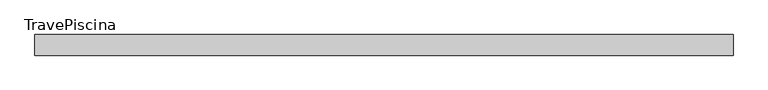
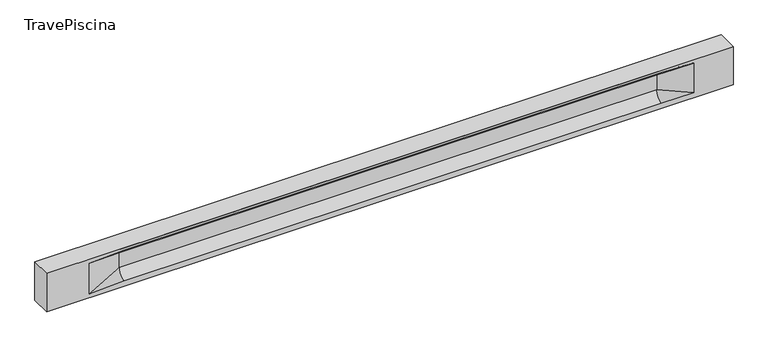
"""IFC4 building model written with IfcOpenShell, lengths in millimetres: beam geometry, TravePiscina."""

from ifc_helpers import new_model, si_unit, frame, origin, place, context, project, spatial, polyline, circle_curve, source, transform, mapped, element, save
from ifc_brep_helpers import plane_surface, revolved_surface, spline_surface, advanced_brep


def travepiscina_89b772d8(model_context):
    return source(origin(), model_context, "Body", "AdvancedBrep", [
        advanced_brep(
        [(8469.5, -250.0, 500.0), (8469.5, -250.0, -500.0), (8469.5, 250.0, -500.0), (8469.5, 250.0, 500.0), (-8469.5, -250.0, 500.0), (-8469.5, -250.0, -500.0), (7494.5, -250.0, -362.0), (6694.5, -250.0, -360.0), (-6569.5, -250.0, -360.0), (-7419.5, -250.0, -400.0), (-7419.5, -250.0, 400.0), (-6569.5, -250.0, 435.0), (6694.5, -250.0, 435.0), (7494.5, -250.0, 400.0), (-8469.5, 250.0, -500.0), (-8469.5, 250.0, 500.0), (7494.5, 250.0, 400.0), (6694.5, 250.0, 435.0), (-6569.5, 250.0, 435.0), (-7419.5, 250.0, 400.0), (-7419.5, 250.0, -400.0), (-6569.5, 250.0, -360.0), (6694.5, 250.0, -360.0), (7494.5, 250.0, -362.0), (6694.5, 155.0, 405.0), (-6569.5, 155.0, 405.0), (-6569.5, -60.0, 262.777021), (6694.5, -60.0, 262.777021), (6694.5, -155.0, 405.0), (-6569.5, -155.0, 405.0), (-6569.5, 60.0, 262.777021), (6694.5, 60.0, 262.777021), (6694.5, 60.0, -120.0), (-6569.5, 60.0, -120.0), (-6569.5, -60.0, -120.0), (6694.5, -60.0, -120.0)],
        [
            (0, 1),
            (1, 2),
            (2, 3),
            (3, 0),
            (0, 4),
            (4, 5),
            (5, 1),
            (6, 7),
            (7, 8),
            (8, 9),
            (9, 10),
            (10, 11),
            (11, 12),
            (12, 13),
            (13, 6),
            (5, 14),
            (14, 2),
            (14, 15),
            (15, 3),
            (16, 17),
            (17, 18),
            (18, 19),
            (19, 20),
            (20, 21),
            (21, 22),
            (22, 23),
            (23, 16),
            (15, 4),
            (17, 24),
            (24, 25),
            (25, 18),
            (26, 27),
            (27, 28, circle_curve(frame((6694.5, -213.9598725, 262.777021), z_axis=(1.0, 0.0, 0.0), x_axis=(0.0, 1.0, 0.0)), 153.9598725)),
            (28, 29),
            (29, 26, circle_curve(frame((-6569.5, -213.9598725, 262.777021), z_axis=(-1.0, 0.0, 0.0), x_axis=(0.0, 1.0, 0.0)), 153.9598725)),
            (30, 31),
            (31, 32),
            (32, 33),
            (33, 30),
            (28, 12),
            (11, 29),
            (34, 35),
            (35, 27),
            (26, 34),
            (25, 19),
            (22, 32, circle_curve(frame((6694.5, 306.5789474, -120.0), z_axis=(-1.0, 0.0, 0.0), x_axis=(0.0, 1.0, 0.0)), 246.5789474)),
            (32, 23),
            (10, 29),
            (10, 26),
            (13, 28),
            (27, 13),
            (30, 19),
            (25, 30, circle_curve(frame((-6569.5, 213.9598725, 262.777021), z_axis=(1.0, 0.0, 0.0), x_axis=(0.0, 1.0, 0.0)), 153.9598725)),
            (9, 34),
            (8, 34, circle_curve(frame((-6569.5, -306.5789474, -120.0), z_axis=(1.0, 0.0, 0.0), x_axis=(0.0, 1.0, 0.0)), 246.5789474)),
            (20, 33),
            (33, 21, circle_curve(frame((-6569.5, 306.5789474, -120.0), z_axis=(1.0, 0.0, 0.0), x_axis=(0.0, 1.0, 0.0)), 246.5789474)),
            (35, 6),
            (35, 7, circle_curve(frame((6694.5, -306.5789474, -120.0), z_axis=(-1.0, 0.0, 0.0), x_axis=(0.0, 1.0, 0.0)), 246.5789474)),
            (31, 16),
            (31, 24, circle_curve(frame((6694.5, 213.9598725, 262.777021), z_axis=(-1.0, 0.0, 0.0), x_axis=(0.0, 1.0, 0.0)), 153.9598725)),
            (24, 16),
        ],
        [
            plane_surface(frame((8469.5, 0.0, 0.0), z_axis=(1.0, 0.0, 0.0), x_axis=(0.0, 0.0, 1.0))),
            plane_surface(frame((8469.5, -250.0, 500.0), z_axis=(0.0, -1.0, 0.0), x_axis=(-1.0, 0.0, 0.0))),
            plane_surface(frame((8469.5, -250.0, -500.0), z_axis=(0.0, 0.0, -1.0), x_axis=(-1.0, 0.0, 0.0))),
            plane_surface(frame((8469.5, 250.0, -500.0), z_axis=(0.0, 1.0, 0.0), x_axis=(-1.0, 0.0, 0.0))),
            plane_surface(frame((8469.5, 250.0, 500.0), z_axis=(0.0, 0.0, 1.0), x_axis=(-1.0, 0.0, 0.0))),
            plane_surface(frame((-6569.5, 250.0, 435.0), z_axis=(0.0, 0.30113136793710954, -0.9535826651341378), x_axis=(1.0, 0.0, 0.0))),
            plane_surface(frame((-8469.5, 0.0, 0.0), z_axis=(-1.0, 0.0, 0.0), x_axis=(0.0, 0.0, 1.0))),
            revolved_surface(polyline([(6694.5, -60.0, 262.777021), (-6569.5, -60.0, 262.777021)]), (-6569.5, -213.9598725, 262.777021), (1.0, 0.0, 0.0)),
            plane_surface(frame((-6569.5, 60.0, 262.777021), z_axis=(0.0, 1.0, 0.0), x_axis=(1.0, 0.0, 0.0))),
            plane_surface(frame((-6569.5, -155.0, 405.0), z_axis=(0.0, -0.30113136793710693, -0.9535826651341387), x_axis=(1.0, 0.0, 0.0))),
            plane_surface(frame((-6569.5, -60.0, -120.0), z_axis=(0.0, -1.0, 0.0), x_axis=(1.0, 0.0, 0.0))),
            plane_surface(frame((-7419.5, 250.0, 400.0), z_axis=(0.03923493491469444, 0.30089950084952793, -0.9528484193567961), x_axis=(0.0, 0.9535826651341378, 0.30113136793710954))),
            spline_surface(2, 1, [[(6694.5, 250.0, -360.0), (7494.5, 250.0, -362.0)], [(6694.5, 60.00000002887427, -315.20833329480604), (7494.5, 250.0, -362.0)], [(6694.5, 60.0, -120.0), (7494.5, 250.0, -362.0)]], [3, 3], [2, 2], [0.0, 1.0], [0.0, 1.0], weights=[[1.0, 1.0], [0.7840458245391329, 0.7840458245391329], [1.0, 1.0]]),
            plane_surface(frame((-7419.5, -250.0, 400.0), z_axis=(0.03923493491469448, -0.3008995008495253, -0.952848419356797), x_axis=(0.0, 0.9535826651341387, -0.30113136793710693))),
            spline_surface(2, 1, [[(-7419.5, -250.0, 400.0), (-6569.5, -155.0, 405.0)], [(-7419.5, -250.0, 400.0), (-6569.5, -60.00000008030692, 365.6168572114734)], [(-7419.5, -250.0, 400.0), (-6569.5, -60.0, 262.777021)]], [3, 3], [2, 2], [0.0, 1.0], [0.0, 1.0], weights=[[1.0, 1.0], [0.8315515924557569, 0.8315515924557569], [1.0, 1.0]]),
            spline_surface(2, 1, [[(6694.5, -155.0, 405.0), (7494.5, -250.0, 400.0)], [(6694.5, -60.00000008030692, 365.6168572114734), (7494.5, -250.0, 400.0)], [(6694.5, -60.0, 262.777021), (7494.5, -250.0, 400.0)]], [3, 3], [2, 2], [0.0, 1.0], [0.0, 1.0], weights=[[1.0, 1.0], [0.8315515924557569, 0.8315515924557569], [1.0, 1.0]]),
            plane_surface(frame((6694.5, -202.5, 420.0), z_axis=(-0.04168298285568757, -0.30086965068766125, -0.9527538938442274), x_axis=(0.0, 0.9535826651341387, -0.30113136793710693))),
            spline_surface(2, 1, [[(-7419.5, 250.0, 400.0), (-6569.5, 60.0, 262.777021)], [(-7419.5, 250.0, 400.0), (-6569.5, 59.99999995452379, 365.6168572954922)], [(-7419.5, 250.0, 400.0), (-6569.5, 155.0, 405.0)]], [3, 3], [2, 2], [0.0, 1.0], [0.0, 1.0], weights=[[1.0, 1.0], [0.8315515921160737, 0.8315515921160737], [1.0, 1.0]]),
            plane_surface(frame((-7419.5, -250.0, 0.0), z_axis=(0.21814596370705283, -0.975916153426267, 0.0), x_axis=(0.0, 0.0, -1.0))),
            spline_surface(2, 1, [[(-7419.5, -250.0, -400.0), (-6569.5, -60.0, -120.0)], [(-7419.5, -250.0, -400.0), (-6569.5, -59.99999998020837, -315.20833333333337)], [(-7419.5, -250.0, -400.0), (-6569.5, -250.0, -360.0)]], [3, 3], [2, 2], [0.0, 1.0], [0.0, 1.0], weights=[[1.0, 1.0], [0.7840458244617614, 0.7840458244617614], [1.0, 1.0]]),
            spline_surface(2, 1, [[(-7419.5, 250.0, -400.0), (-6569.5, 250.0, -360.0)], [(-7419.5, 250.0, -400.0), (-6569.5, 60.00000002887427, -315.20833329480604)], [(-7419.5, 250.0, -400.0), (-6569.5, 60.0, -120.0)]], [3, 3], [2, 2], [0.0, 1.0], [0.0, 1.0], weights=[[1.0, 1.0], [0.7840458245391329, 0.7840458245391329], [1.0, 1.0]]),
            plane_surface(frame((-7419.5, 250.0, 0.0), z_axis=(0.21814596370704872, 0.975916153426268, 0.0), x_axis=(0.0, 0.0, 1.0))),
            plane_surface(frame((6694.5, -60.0, 71.3885105), z_axis=(-0.23107243079589793, -0.9729365507195601, 0.0), x_axis=(0.0, 0.0, -1.0))),
            spline_surface(2, 1, [[(6694.5, -60.0, -120.0), (7494.5, -250.0, -362.0)], [(6694.5, -59.99999998020837, -315.20833333333337), (7494.5, -250.0, -362.0)], [(6694.5, -250.0, -360.0), (7494.5, -250.0, -362.0)]], [3, 3], [2, 2], [0.0, 1.0], [0.0, 1.0], weights=[[1.0, 1.0], [0.7840458244617614, 0.7840458244617614], [1.0, 1.0]]),
            plane_surface(frame((6694.5, 60.0, 71.3885105), z_axis=(-0.2310724307958915, 0.9729365507195615, 0.0), x_axis=(0.0, 0.0, 1.0))),
            spline_surface(2, 1, [[(6694.5, 60.0, 262.777021), (7494.5, 250.0, 400.0)], [(6694.5, 59.99999995452379, 365.6168572954922), (7494.5, 250.0, 400.0)], [(6694.5, 155.0, 405.0), (7494.5, 250.0, 400.0)]], [3, 3], [2, 2], [0.0, 1.0], [0.0, 1.0], weights=[[1.0, 1.0], [0.8315515921160737, 0.8315515921160737], [1.0, 1.0]]),
            plane_surface(frame((6694.5, 202.5, 420.0), z_axis=(-0.041682982855686834, 0.30086965068766386, -0.9527538938442265), x_axis=(0.0, 0.9535826651341378, 0.30113136793710954))),
            revolved_surface(polyline([(6694.5, 367.919745, 262.777021), (-6569.5, 367.919745, 262.777021)]), (-6569.5, 213.9598725, 262.777021), (1.0, 0.0, 0.0)),
            revolved_surface(polyline([(6694.5, 553.1578948, -120.0), (-6569.5, 553.1578948, -120.0)]), (-6569.5, 306.5789474, -120.0), (1.0, 0.0, 0.0)),
            revolved_surface(polyline([(6694.5, -60.0, -120.0), (-6569.5, -60.0, -120.0)]), (-6569.5, -306.5789474, -120.0), (1.0, 0.0, 0.0)),
        ],
        [
            (0, [[1, 2, 3, 4]]),
            (1, [[-1, 5, 6, 7], [8, 9, 10, 11, 12, 13, 14, 15]]),
            (2, [[-2, -7, 16, 17]]),
            (3, [[-3, -17, 18, 19], [20, 21, 22, 23, 24, 25, 26, 27]]),
            (4, [[-5, -4, -19, 28]]),
            (5, [[-21, 29, 30, 31]]),
            (6, [[-28, -18, -16, -6]]),
            (7, [[32, 33, 34, 35]]),
            (8, [[36, 37, 38, 39]]),
            (9, [[-34, 40, -13, 41]]),
            (10, [[42, 43, -32, 44]]),
            (11, [[45, -22, -31]]),
            (12, [[-26, 46, 47]]),
            (13, [[-12, 48, -41]]),
            (14, [[-48, 49, -35]]),
            (15, [[50, -33, 51]]),
            (16, [[-14, -40, -50]]),
            (17, [[52, -45, 53]]),
            (18, [[-49, -11, 54, -44]]),
            (19, [[-54, -10, 55]]),
            (20, [[-24, 56, 57]]),
            (21, [[-52, -39, -56, -23]]),
            (22, [[-51, -43, 58, -15]]),
            (23, [[-58, 59, -8]]),
            (24, [[-47, -37, 60, -27]]),
            (25, [[-60, 61, 62]]),
            (26, [[-62, -29, -20]]),
            (27, [[-30, -61, -36, -53]]),
            (28, [[-38, -46, -25, -57]]),
            (29, [[-9, -59, -42, -55]]),
        ],
    ),
    ])


if __name__ == "__main__":
    model = new_model("IFC4")
    model_context = context("Model", 3, world=origin())
    ifc_project = project(units=[si_unit("LENGTHUNIT", "METRE", prefix="MILLI")], contexts=[model_context])
    site = spatial("IfcSite", under=ifc_project)
    building = spatial("IfcBuilding", under=site)
    placement = place(None, origin())
    travepiscina_shape = travepiscina_89b772d8(model_context)
    element("IfcBeam", 1, ObjectType="TravePiscina", at=placement, inside=building, context=model_context, shape_type="MappedRepresentation", body=[
        mapped(travepiscina_shape, transform((0.0, 0.0, 0.0), x_axis=(1.0, 0.0, 0.0), y_axis=(0.0, 1.0, 0.0), z_axis=(0.0, 0.0, 1.0))),
    ])
    save(model, "model.ifc")
